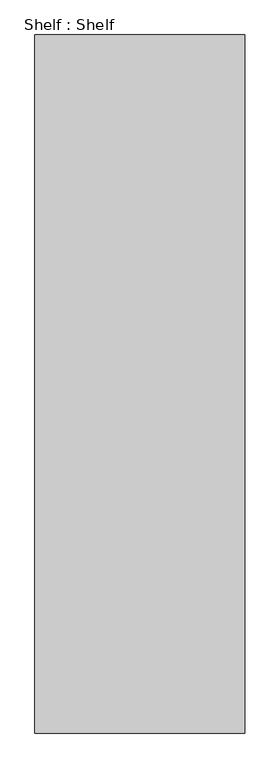
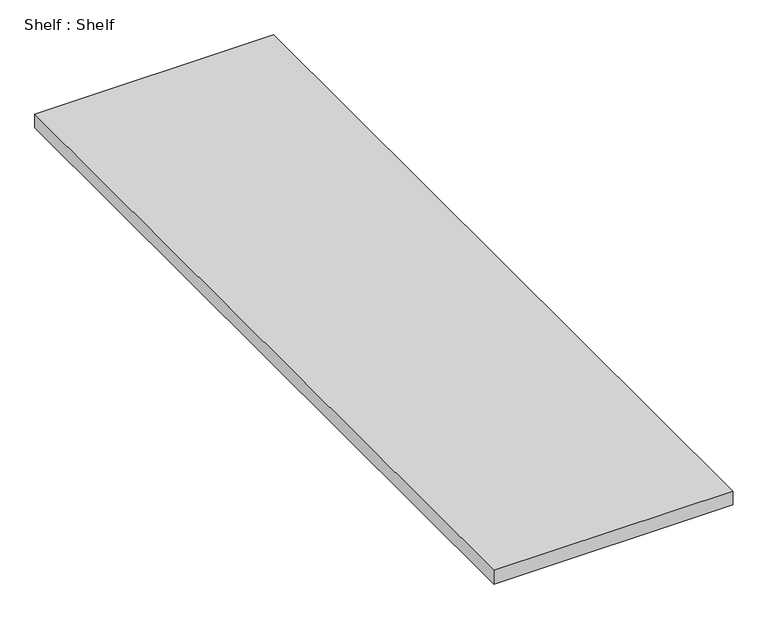
"""IFC4 building model written with IfcOpenShell, lengths in millimetres: furniture geometry, Shelf : Shelf."""

from ifc_helpers import new_model, si_unit, frame, origin, place, context, project, spatial, polyline, outline, extrude, source, transform, mapped, element, save


def shelf_shelf_84c8b03e(model_context):
    return source(origin(), model_context, "Body", "SweptSolid", [
        extrude(outline(polyline([(27163.883653, 24119.2684441), (27163.883653, 25641.2594874), (27621.083653, 25641.2594874), (27621.083653, 24119.2684441), (27163.883653, 24119.2684441)])), frame((0.0, 0.0, 1330.7741391), z_axis=(0.0, 0.0, 1.0), x_axis=(1.0, 0.0, 0.0)), (0.0, 0.0, 1.0), 27.8863567),
    ])


if __name__ == "__main__":
    model = new_model("IFC4")
    model_context = context("Model", 3, world=origin())
    ifc_project = project(units=[si_unit("LENGTHUNIT", "METRE", prefix="MILLI")], contexts=[model_context])
    site = spatial("IfcSite", under=ifc_project)
    building = spatial("IfcBuilding", under=site)
    placement = place(None, origin())
    shelf_shelf_shape = shelf_shelf_84c8b03e(model_context)
    element("IfcFurniture", 1, ObjectType="Shelf : Shelf", at=placement, inside=building, context=model_context, shape_type="MappedRepresentation", body=[
        mapped(shelf_shelf_shape, transform((0.0, 0.0, 0.0), x_axis=(1.0, 0.0, 0.0), y_axis=(0.0, 1.0, 0.0), z_axis=(0.0, 0.0, 1.0))),
    ])
    save(model, "model.ifc")
